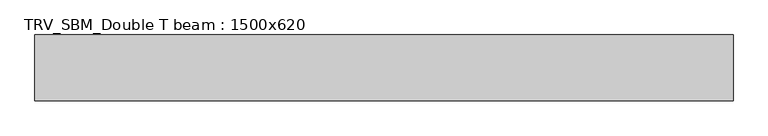
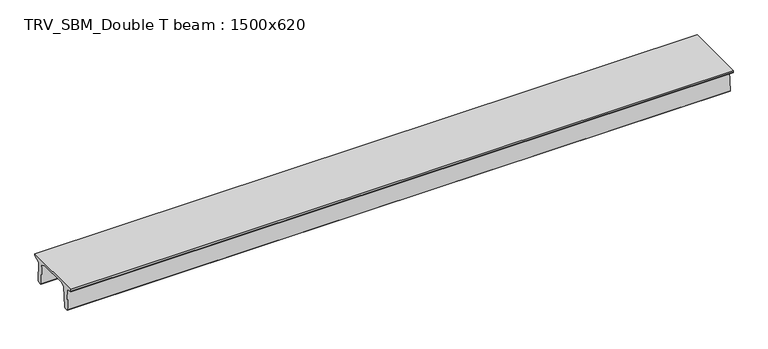
"""IFC4 building model written with IfcOpenShell, lengths in millimetres: beam geometry, TRV_SBM_Double T beam : 1500x620."""

from ifc_helpers import new_model, si_unit, frame, origin, place, context, project, spatial, polyline, outline, extrude, source, transform, mapped, element, save


def trv_sbm_double_t_beam_1500x620_1d7ae8c4(model_context):
    return source(origin(), model_context, "Body", "SweptSolid", [
        extrude(outline(polyline([(-765.0, 215.0), (-765.0, 260.0), (735.0, 260.0), (735.0, 215.0), (728.2094488, 201.315559), (578.0626443, 140.6523122), (594.8277662, -339.4379646), (574.2657308, -360.0), (484.2657308, -360.0), (464.786332, -340.5206011), (447.8600761, 144.18395), (338.3237744, 210.0), (-367.4555014, 210.0), (-476.5389732, 151.9992892), (-507.0080378, -339.3850967), (-527.622941, -360.0), (-615.122941, -360.0), (-637.1143055, -338.0086356), (-606.1572167, 162.687806), (-761.3068466, 204.260024), (-765.0, 215.0)])), frame((-7933.0, 0.0, 0.0), z_axis=(1.0, 0.0, 0.0), x_axis=(0.0, 1.0, 0.0)), (0.0, 0.0, 1.0), 15943.0),
    ])


if __name__ == "__main__":
    model = new_model("IFC4")
    model_context = context("Model", 3, world=origin())
    ifc_project = project(units=[si_unit("LENGTHUNIT", "METRE", prefix="MILLI")], contexts=[model_context])
    site = spatial("IfcSite", under=ifc_project)
    building = spatial("IfcBuilding", under=site)
    placement = place(None, origin())
    trv_sbm_double_t_beam_1500x620_shape = trv_sbm_double_t_beam_1500x620_1d7ae8c4(model_context)
    element("IfcBeam", 1, ObjectType="TRV_SBM_Double T beam : 1500x620", at=placement, inside=building, context=model_context, shape_type="MappedRepresentation", body=[
        mapped(trv_sbm_double_t_beam_1500x620_shape, transform((0.0, 0.0, 0.0), x_axis=(1.0, 0.0, 0.0), y_axis=(0.0, 1.0, 0.0), z_axis=(0.0, 0.0, 1.0))),
    ])
    save(model, "model.ifc")
